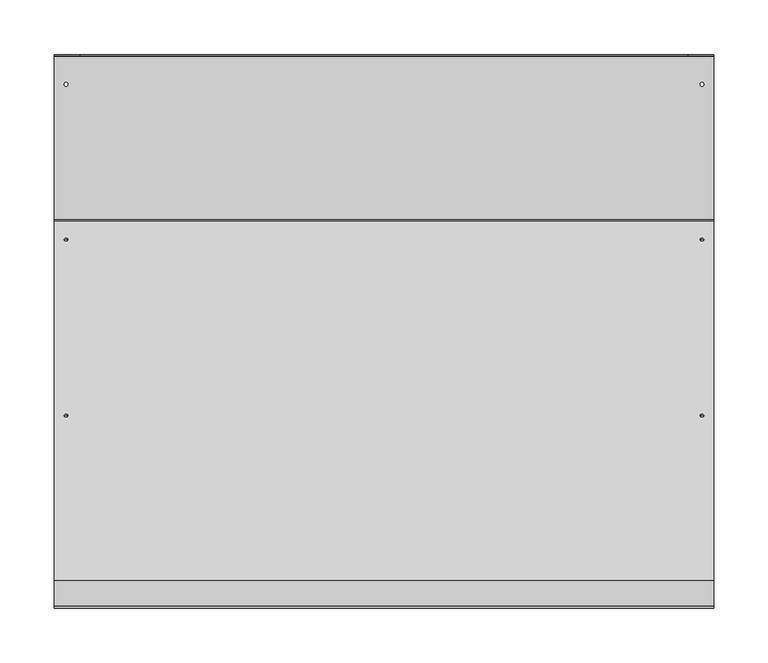
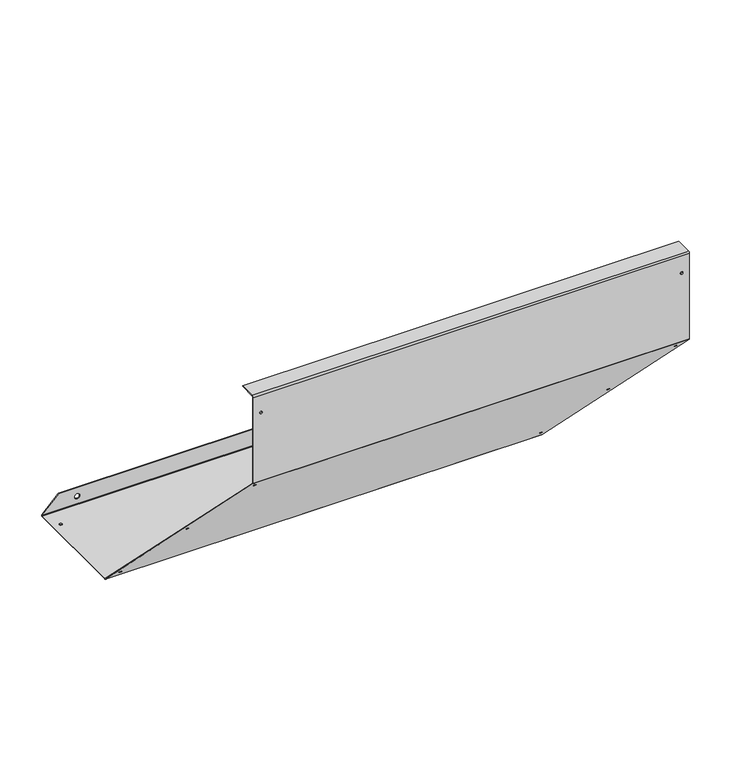
"""IFC4 building model written with IfcOpenShell, lengths in millimetres: proxy geometry."""

from ifc_helpers import new_model, si_unit, frame, origin, place, context, project, spatial, polyline, circle_curve, source, transform, mapped, element, save
from ifc_brep_helpers import plane_surface, cylinder_surface, revolved_surface, advanced_brep


def generic_models_967c062b(model_context):
    return source(origin(), model_context, "Body", "AdvancedBrep", [
        advanced_brep(
        [(593.17382, -27.41168, 1.00584), (593.17382, -27.41168, 0.0), (596.60282, -27.41168, 0.0), (596.60282, -27.41168, 1.00584), (8.97382, -27.41168, 1.00584), (8.97382, -27.41168, 0.0), (12.40282, -27.41168, 0.0), (12.40282, -27.41168, 1.00584), (593.17382, -170.0653835, 18.6712961), (593.17382, -170.7766198, 17.9600598), (596.60282, -170.7766198, 17.9600598), (596.60282, -170.0653835, 18.6712961), (593.17382, -493.3546039, 341.9605165), (593.17382, -494.0658402, 341.2492802), (596.60282, -494.0658402, 341.2492802), (596.60282, -493.3546039, 341.9605165), (8.97382, -331.7099937, 180.3159063), (8.97382, -332.42123, 179.60467), (12.40282, -332.42123, 179.60467), (12.40282, -331.7099937, 180.3159063), (8.97382, -170.0653835, 18.6712961), (8.97382, -170.7766198, 17.9600598), (12.40282, -170.7766198, 17.9600598), (12.40282, -170.0653835, 18.6712961), (8.97382, -493.3546039, 341.9605165), (8.97382, -494.0658402, 341.2492802), (12.40282, -494.0658402, 341.2492802), (12.40282, -493.3546039, 341.9605165), (593.17382, -331.7099937, 180.3159063), (593.17382, -332.42123, 179.60467), (596.60282, -332.42123, 179.60467), (596.60282, -331.7099937, 180.3159063), (596.60282, -508.0009047, 457.1745999), (596.60282, -509.0067447, 457.1745999), (593.17382, -509.0067447, 457.1745999), (593.17382, -508.0009047, 457.1745999), (12.40282, -508.0009047, 457.1745999), (12.40282, -509.0067447, 457.1745999), (8.97382, -509.0067447, 457.1745999), (8.97382, -508.0009047, 457.1745999), (560.40782, -1.00584, 12.7), (560.40782, 0.0, 12.7), (553.16882, 0.0, 12.7), (553.16882, -1.00584, 12.7), (306.40782, -1.00584, 12.7), (306.40782, 0.0, 12.7), (299.16882, 0.0, 12.7), (299.16882, -1.00584, 12.7), (52.40782, -1.00584, 12.7), (52.40782, 0.0, 12.7), (45.16882, 0.0, 12.7), (45.16882, -1.00584, 12.7), (605.57664, 0.0, 2.01168), (582.18832, 0.0, 25.4), (582.18832, -1.00584, 25.4), (605.57664, -1.00584, 2.01168), (23.38832, 0.0, 25.4), (0.0, 0.0, 2.01168), (0.0, -1.00584, 2.01168), (23.38832, -1.00584, 25.4), (605.57664, -2.01168, 1.00584), (605.57664, -151.9832949, 1.00584), (605.57664, -152.6945311, 1.3004437), (605.57664, -507.706301, 356.3122136), (605.57664, -508.0009047, 357.0234498), (605.57664, -508.0009047, 482.6009047), (605.57664, -506.9950647, 483.6067447), (605.57664, -483.6067447, 483.6067447), (605.57664, -483.6067447, 484.6125847), (605.57664, -506.9950647, 484.6125847), (605.57664, -509.0067447, 482.6009047), (605.57664, -509.0067447, 357.0234498), (605.57664, -508.4175373, 355.6009773), (605.57664, -153.4057674, 0.5892074), (605.57664, -151.9832949, 0.0), (605.57664, -2.01168, 0.0), (0.0, -506.9950647, 484.6125847), (0.0, -509.0067447, 482.6009047), (0.0, -506.9950647, 483.6067447), (0.0, -508.0009047, 482.6009047), (0.0, -509.0067447, 357.0234498), (0.0, -508.4175373, 355.6009773), (0.0, -508.0009047, 357.0234498), (0.0, -507.706301, 356.3122136), (0.0, -153.4057674, 0.5892074), (0.0, -151.9832949, 0.0), (0.0, -152.6945311, 1.3004437), (0.0, -151.9832949, 1.00584), (0.0, -2.01168, 1.00584), (0.0, -2.01168, 0.0), (0.0, -483.6067447, 484.6125847), (0.0, -483.6067447, 483.6067447)],
        [
            (0, 1),
            (1, 2, circle_curve(frame((594.88832, -27.41168, 0.0), z_axis=(0.0, 0.0, -1.0), x_axis=(-1.0, 0.0, 0.0)), 1.7145)),
            (2, 3),
            (3, 0, circle_curve(frame((594.88832, -27.41168, 1.00584), z_axis=(0.0, 0.0, 1.0), x_axis=(-1.0, 0.0, 0.0)), 1.7145)),
            (4, 5),
            (5, 6, circle_curve(frame((10.68832, -27.41168, 0.0), z_axis=(0.0, 0.0, -1.0), x_axis=(-1.0, 0.0, 0.0)), 1.7145)),
            (6, 7),
            (7, 4, circle_curve(frame((10.68832, -27.41168, 1.00584), z_axis=(0.0, 0.0, 1.0), x_axis=(-1.0, 0.0, 0.0)), 1.7145)),
            (8, 9),
            (9, 10, circle_curve(frame((594.88832, -170.7766198, 17.9600598), z_axis=(0.0, -0.7071067811865477, -0.7071067811865474), x_axis=(-1.0, 0.0, 0.0)), 1.7145)),
            (10, 11),
            (11, 8, circle_curve(frame((594.88832, -170.0653835, 18.6712961), z_axis=(0.0, 0.7071067811865477, 0.7071067811865474), x_axis=(-1.0, 0.0, 0.0)), 1.7145)),
            (12, 13),
            (13, 14, circle_curve(frame((594.88832, -494.0658402, 341.2492802), z_axis=(0.0, -0.7071067811865477, -0.7071067811865474), x_axis=(-1.0, 0.0, 0.0)), 1.7145)),
            (14, 15),
            (15, 12, circle_curve(frame((594.88832, -493.3546039, 341.9605165), z_axis=(0.0, 0.7071067811865477, 0.7071067811865474), x_axis=(-1.0, 0.0, 0.0)), 1.7145)),
            (16, 17),
            (17, 18, circle_curve(frame((10.68832, -332.42123, 179.60467), z_axis=(0.0, -0.7071067811865477, -0.7071067811865474), x_axis=(-1.0, 0.0, 0.0)), 1.7145)),
            (18, 19),
            (19, 16, circle_curve(frame((10.68832, -331.7099937, 180.3159063), z_axis=(0.0, 0.7071067811865477, 0.7071067811865474), x_axis=(-1.0, 0.0, 0.0)), 1.7145)),
            (20, 21),
            (21, 22, circle_curve(frame((10.68832, -170.7766198, 17.9600598), z_axis=(0.0, -0.7071067811865477, -0.7071067811865474), x_axis=(-1.0, 0.0, 0.0)), 1.7145)),
            (22, 23),
            (23, 20, circle_curve(frame((10.68832, -170.0653835, 18.6712961), z_axis=(0.0, 0.7071067811865477, 0.7071067811865474), x_axis=(-1.0, 0.0, 0.0)), 1.7145)),
            (24, 25),
            (25, 26, circle_curve(frame((10.68832, -494.0658402, 341.2492802), z_axis=(0.0, -0.7071067811865477, -0.7071067811865474), x_axis=(-1.0, 0.0, 0.0)), 1.7145)),
            (26, 27),
            (27, 24, circle_curve(frame((10.68832, -493.3546039, 341.9605165), z_axis=(0.0, 0.7071067811865477, 0.7071067811865474), x_axis=(-1.0, 0.0, 0.0)), 1.7145)),
            (28, 29),
            (29, 30, circle_curve(frame((594.88832, -332.42123, 179.60467), z_axis=(0.0, -0.7071067811865477, -0.7071067811865474), x_axis=(-1.0, 0.0, 0.0)), 1.7145)),
            (30, 31),
            (31, 28, circle_curve(frame((594.88832, -331.7099937, 180.3159063), z_axis=(0.0, 0.7071067811865477, 0.7071067811865474), x_axis=(-1.0, 0.0, 0.0)), 1.7145)),
            (32, 33),
            (33, 34, circle_curve(frame((594.88832, -509.0067447, 457.1745999), z_axis=(0.0, -1.0, 0.0), x_axis=(1.0, 0.0, 0.0)), 1.7145)),
            (34, 35),
            (35, 32, circle_curve(frame((594.88832, -508.0009047, 457.1745999), z_axis=(0.0, 1.0, 0.0), x_axis=(1.0, 0.0, 0.0)), 1.7145)),
            (36, 37),
            (37, 38, circle_curve(frame((10.68832, -509.0067447, 457.1745999), z_axis=(0.0, -1.0, 0.0), x_axis=(1.0, 0.0, 0.0)), 1.7145)),
            (38, 39),
            (39, 36, circle_curve(frame((10.68832, -508.0009047, 457.1745999), z_axis=(0.0, 1.0, 0.0), x_axis=(1.0, 0.0, 0.0)), 1.7145)),
            (40, 41),
            (41, 42, circle_curve(frame((556.78832, 0.0, 12.7), z_axis=(0.0, 1.0, 0.0), x_axis=(1.0, 0.0, 0.0)), 3.6195)),
            (42, 43),
            (43, 40, circle_curve(frame((556.78832, -1.00584, 12.7), z_axis=(0.0, -1.0, 0.0), x_axis=(1.0, 0.0, 0.0)), 3.6195)),
            (44, 45),
            (45, 46, circle_curve(frame((302.78832, 0.0, 12.7), z_axis=(0.0, 1.0, 0.0), x_axis=(1.0, 0.0, 0.0)), 3.6195)),
            (46, 47),
            (47, 44, circle_curve(frame((302.78832, -1.00584, 12.7), z_axis=(0.0, -1.0, 0.0), x_axis=(1.0, 0.0, 0.0)), 3.6195)),
            (48, 49),
            (49, 50, circle_curve(frame((48.78832, 0.0, 12.7), z_axis=(0.0, 1.0, 0.0), x_axis=(1.0, 0.0, 0.0)), 3.6195)),
            (50, 51),
            (51, 48, circle_curve(frame((48.78832, -1.00584, 12.7), z_axis=(0.0, -1.0, 0.0), x_axis=(1.0, 0.0, 0.0)), 3.6195)),
            (48, 51, circle_curve(frame((48.78832, -1.00584, 12.7), z_axis=(0.0, -1.0, 0.0), x_axis=(1.0, 0.0, 0.0)), 3.6195)),
            (50, 49, circle_curve(frame((48.78832, 0.0, 12.7), z_axis=(0.0, 1.0, 0.0), x_axis=(1.0, 0.0, 0.0)), 3.6195)),
            (44, 47, circle_curve(frame((302.78832, -1.00584, 12.7), z_axis=(0.0, -1.0, 0.0), x_axis=(1.0, 0.0, 0.0)), 3.6195)),
            (46, 45, circle_curve(frame((302.78832, 0.0, 12.7), z_axis=(0.0, 1.0, 0.0), x_axis=(1.0, 0.0, 0.0)), 3.6195)),
            (40, 43, circle_curve(frame((556.78832, -1.00584, 12.7), z_axis=(0.0, -1.0, 0.0), x_axis=(1.0, 0.0, 0.0)), 3.6195)),
            (42, 41, circle_curve(frame((556.78832, 0.0, 12.7), z_axis=(0.0, 1.0, 0.0), x_axis=(1.0, 0.0, 0.0)), 3.6195)),
            (36, 39, circle_curve(frame((10.68832, -508.0009047, 457.1745999), z_axis=(0.0, 1.0, 0.0), x_axis=(1.0, 0.0, 0.0)), 1.7145)),
            (38, 37, circle_curve(frame((10.68832, -509.0067447, 457.1745999), z_axis=(0.0, -1.0, 0.0), x_axis=(1.0, 0.0, 0.0)), 1.7145)),
            (32, 35, circle_curve(frame((594.88832, -508.0009047, 457.1745999), z_axis=(0.0, 1.0, 0.0), x_axis=(1.0, 0.0, 0.0)), 1.7145)),
            (34, 33, circle_curve(frame((594.88832, -509.0067447, 457.1745999), z_axis=(0.0, -1.0, 0.0), x_axis=(1.0, 0.0, 0.0)), 1.7145)),
            (28, 31, circle_curve(frame((594.88832, -331.7099937, 180.3159063), z_axis=(0.0, 0.7071067811865477, 0.7071067811865474), x_axis=(-1.0, 0.0, 0.0)), 1.7145)),
            (30, 29, circle_curve(frame((594.88832, -332.42123, 179.60467), z_axis=(0.0, -0.7071067811865477, -0.7071067811865474), x_axis=(-1.0, 0.0, 0.0)), 1.7145)),
            (24, 27, circle_curve(frame((10.68832, -493.3546039, 341.9605165), z_axis=(0.0, 0.7071067811865477, 0.7071067811865474), x_axis=(-1.0, 0.0, 0.0)), 1.7145)),
            (26, 25, circle_curve(frame((10.68832, -494.0658402, 341.2492802), z_axis=(0.0, -0.7071067811865477, -0.7071067811865474), x_axis=(-1.0, 0.0, 0.0)), 1.7145)),
            (20, 23, circle_curve(frame((10.68832, -170.0653835, 18.6712961), z_axis=(0.0, 0.7071067811865477, 0.7071067811865474), x_axis=(-1.0, 0.0, 0.0)), 1.7145)),
            (22, 21, circle_curve(frame((10.68832, -170.7766198, 17.9600598), z_axis=(0.0, -0.7071067811865477, -0.7071067811865474), x_axis=(-1.0, 0.0, 0.0)), 1.7145)),
            (16, 19, circle_curve(frame((10.68832, -331.7099937, 180.3159063), z_axis=(0.0, 0.7071067811865477, 0.7071067811865474), x_axis=(-1.0, 0.0, 0.0)), 1.7145)),
            (18, 17, circle_curve(frame((10.68832, -332.42123, 179.60467), z_axis=(0.0, -0.7071067811865477, -0.7071067811865474), x_axis=(-1.0, 0.0, 0.0)), 1.7145)),
            (12, 15, circle_curve(frame((594.88832, -493.3546039, 341.9605165), z_axis=(0.0, 0.7071067811865477, 0.7071067811865474), x_axis=(-1.0, 0.0, 0.0)), 1.7145)),
            (14, 13, circle_curve(frame((594.88832, -494.0658402, 341.2492802), z_axis=(0.0, -0.7071067811865477, -0.7071067811865474), x_axis=(-1.0, 0.0, 0.0)), 1.7145)),
            (8, 11, circle_curve(frame((594.88832, -170.0653835, 18.6712961), z_axis=(0.0, 0.7071067811865477, 0.7071067811865474), x_axis=(-1.0, 0.0, 0.0)), 1.7145)),
            (10, 9, circle_curve(frame((594.88832, -170.7766198, 17.9600598), z_axis=(0.0, -0.7071067811865477, -0.7071067811865474), x_axis=(-1.0, 0.0, 0.0)), 1.7145)),
            (4, 7, circle_curve(frame((10.68832, -27.41168, 1.00584), z_axis=(0.0, 0.0, 1.0), x_axis=(-1.0, 0.0, 0.0)), 1.7145)),
            (6, 5, circle_curve(frame((10.68832, -27.41168, 0.0), z_axis=(0.0, 0.0, -1.0), x_axis=(-1.0, 0.0, 0.0)), 1.7145)),
            (0, 3, circle_curve(frame((594.88832, -27.41168, 1.00584), z_axis=(0.0, 0.0, 1.0), x_axis=(-1.0, 0.0, 0.0)), 1.7145)),
            (2, 1, circle_curve(frame((594.88832, -27.41168, 0.0), z_axis=(0.0, 0.0, -1.0), x_axis=(-1.0, 0.0, 0.0)), 1.7145)),
            (52, 53),
            (53, 54),
            (54, 55),
            (55, 52),
            (56, 57),
            (57, 58),
            (58, 59),
            (59, 56),
            (55, 60, circle_curve(frame((605.57664, -2.01168, 2.01168), z_axis=(-1.0, 0.0, 0.0), x_axis=(0.0, 0.0, -1.0)), 1.00584)),
            (60, 61),
            (61, 62, circle_curve(frame((605.57664, -151.9832949, 2.01168), z_axis=(-1.0, 0.0, 0.0), x_axis=(0.0, 0.0, -1.0)), 1.00584)),
            (62, 63),
            (63, 64, circle_curve(frame((605.57664, -506.9950647, 357.0234498), z_axis=(-1.0, 0.0, 0.0), x_axis=(0.0, -0.7071067811865829, -0.7071067811865123)), 1.00584)),
            (64, 65),
            (65, 66, circle_curve(frame((605.57664, -506.9950647, 482.6009047), z_axis=(-1.0, 0.0, 0.0), x_axis=(0.0, -1.0, 0.0)), 1.00584)),
            (66, 67),
            (67, 68),
            (68, 69),
            (69, 70, circle_curve(frame((605.57664, -506.9950647, 482.6009047), z_axis=(1.0, 0.0, 0.0), x_axis=(0.0, -1.0, 0.0)), 2.01168)),
            (70, 71),
            (71, 72, circle_curve(frame((605.57664, -506.9950647, 357.0234498), z_axis=(1.0, 0.0, 0.0), x_axis=(0.0, -0.707106781186583, -0.7071067811865122)), 2.01168)),
            (72, 73),
            (73, 74, circle_curve(frame((605.57664, -151.9832949, 2.01168), z_axis=(1.0, 0.0, 0.0), x_axis=(0.0, 0.0, -1.0)), 2.01168)),
            (74, 75),
            (75, 52, circle_curve(frame((605.57664, -2.01168, 2.01168), z_axis=(1.0, 0.0, 0.0), x_axis=(0.0, 0.0, -1.0)), 2.01168)),
            (54, 59),
            (58, 55),
            (69, 76),
            (76, 77, circle_curve(frame((0.0, -506.9950647, 482.6009047), z_axis=(1.0, 0.0, 0.0), x_axis=(0.0, -1.0, 0.0)), 2.01168)),
            (77, 70),
            (78, 66),
            (65, 79),
            (79, 78, circle_curve(frame((0.0, -506.9950647, 482.6009047), z_axis=(-1.0, 0.0, 0.0), x_axis=(0.0, -1.0, 0.0)), 1.00584)),
            (77, 80),
            (80, 71),
            (80, 81, circle_curve(frame((0.0, -506.9950647, 357.0234498), z_axis=(1.0, 0.0, 0.0), x_axis=(0.0, -0.707106781186583, -0.7071067811865122)), 2.01168)),
            (81, 72),
            (82, 64),
            (63, 83),
            (83, 82, circle_curve(frame((0.0, -506.9950647, 357.0234498), z_axis=(-1.0, 0.0, 0.0), x_axis=(0.0, -0.7071067811865829, -0.7071067811865123)), 1.00584)),
            (81, 84),
            (84, 73),
            (84, 85, circle_curve(frame((0.0, -151.9832949, 2.01168), z_axis=(1.0, 0.0, 0.0), x_axis=(0.0, 0.0, -1.0)), 2.01168)),
            (85, 74),
            (86, 62),
            (61, 87),
            (87, 86, circle_curve(frame((0.0, -151.9832949, 2.01168), z_axis=(-1.0, 0.0, 0.0), x_axis=(0.0, 0.0, -1.0)), 1.00584)),
            (60, 88),
            (88, 87),
            (57, 52),
            (75, 89),
            (89, 57, circle_curve(frame((0.0, -2.01168, 2.01168), z_axis=(1.0, 0.0, 0.0), x_axis=(0.0, 0.0, -1.0)), 2.01168)),
            (58, 88, circle_curve(frame((0.0, -2.01168, 2.01168), z_axis=(-1.0, 0.0, 0.0), x_axis=(0.0, 0.0, -1.0)), 1.00584)),
            (85, 89),
            (56, 53),
            (86, 83),
            (82, 79),
            (76, 90),
            (90, 91),
            (91, 78),
            (68, 90),
            (67, 91),
        ],
        [
            revolved_surface(polyline([(593.17382, -27.41168, 0.0), (593.17382, -27.41168, 1.005840000000001)]), (594.88832, -27.41168, 9.525), (0.0, 0.0, -1.0)),
            revolved_surface(polyline([(8.97382, -27.41168, 0.0), (8.97382, -27.41168, 1.005840000000001)]), (10.68832, -27.41168, 9.525), (0.0, 0.0, -1.0)),
            revolved_surface(polyline([(593.17382, -170.7766198, 17.96005980000001), (593.17382, -170.0653835, 18.67129610000001)]), (594.88832, -164.0414277, 24.6952519), (0.0, -0.7071067811865477, -0.7071067811865474)),
            revolved_surface(polyline([(593.17382, -494.0658402, 341.2492802), (593.17382, -493.35460390000003, 341.96051650000004)]), (594.88832, -487.3306481, 347.9844723), (0.0, -0.7071067811865477, -0.7071067811865474)),
            revolved_surface(polyline([(8.97382, -332.42123, 179.60467), (8.97382, -331.7099937, 180.3159063)]), (10.68832, -325.6860379, 186.3398621), (0.0, -0.7071067811865477, -0.7071067811865474)),
            revolved_surface(polyline([(8.97382, -170.7766198, 17.96005980000001), (8.97382, -170.0653835, 18.67129610000001)]), (10.68832, -164.0414277, 24.6952519), (0.0, -0.7071067811865477, -0.7071067811865474)),
            revolved_surface(polyline([(8.97382, -494.0658402, 341.2492802), (8.97382, -493.35460390000003, 341.96051650000004)]), (10.68832, -487.3306481, 347.9844723), (0.0, -0.7071067811865477, -0.7071067811865474)),
            revolved_surface(polyline([(593.17382, -332.42123, 179.60467), (593.17382, -331.7099937, 180.3159063)]), (594.88832, -325.6860379, 186.3398621), (0.0, -0.7071067811865477, -0.7071067811865474)),
            revolved_surface(polyline([(596.6028200000001, -509.0067447, 457.1745999), (596.6028200000001, -508.0009047, 457.1745999)]), (594.88832, -499.4817447, 457.1745999), (0.0, -1.0, 0.0)),
            revolved_surface(polyline([(12.402819999999998, -509.0067447, 457.1745999), (12.402819999999998, -508.0009047, 457.1745999)]), (10.68832, -499.4817447, 457.1745999), (0.0, -1.0, 0.0)),
            revolved_surface(polyline([(560.40782, 0.0, 12.7), (560.40782, -1.005840000000001, 12.7)]), (556.78832, -9.525, 12.7), (0.0, 1.0, 0.0)),
            revolved_surface(polyline([(306.40782, 0.0, 12.7), (306.40782, -1.005840000000001, 12.7)]), (302.78832, -9.525, 12.7), (0.0, 1.0, 0.0)),
            revolved_surface(polyline([(52.40782, 0.0, 12.7), (52.40782, -1.005840000000001, 12.7)]), (48.78832, -9.525, 12.7), (0.0, 1.0, 0.0)),
            plane_surface(frame((582.18832, -1.00584, 25.4), z_axis=(0.707106781186547, 0.0, 0.7071067811865481), x_axis=(-0.7071067811865481, 0.0, 0.707106781186547))),
            plane_surface(frame((0.0, -1.00584, 2.01168), z_axis=(-0.7071067811865477, 0.0, 0.7071067811865475), x_axis=(-0.7071067811865475, 0.0, -0.7071067811865477))),
            plane_surface(frame((605.57664, -509.0067447, 484.6125847), z_axis=(1.0, 0.0, 0.0), x_axis=(0.0, 0.0, -1.0))),
            plane_surface(frame((302.78832, -1.00584, 12.7), z_axis=(0.0, -1.0, 0.0), x_axis=(0.0, 0.0, 1.0))),
            cylinder_surface(frame((302.78832, -506.9950647, 482.6009047), z_axis=(-1.0, 0.0, 0.0), x_axis=(0.0, -1.0, 0.0)), 2.01168),
            revolved_surface(polyline([(0.0, -508.0009047, 482.6009047), (605.57664, -508.0009047, 482.6009047)]), (302.78832, -506.9950647, 482.6009047), (-1.0, 0.0, 0.0)),
            plane_surface(frame((302.78832, -509.0067447, 420.4013847), z_axis=(0.0, -1.0, 0.0), x_axis=(0.0, 0.0, 1.0))),
            cylinder_surface(frame((302.78832, -506.9950647, 357.0234498), z_axis=(-1.0000000000000002, 0.0, 0.0), x_axis=(0.0, -0.707106781186583, -0.7071067811865122)), 2.01168),
            revolved_surface(polyline([(0.0, -507.7063009847887, 356.31221351521134), (605.57664, -507.7063009847887, 356.31221351521134)]), (302.78832, -506.9950647, 357.0234498), (-1.0, 0.0, 0.0)),
            plane_surface(frame((302.78832, -330.9116524, 178.0950924), z_axis=(0.0, -0.7071067811865477, -0.7071067811865474), x_axis=(1.0, 0.0, 0.0))),
            cylinder_surface(frame((302.78832, -151.9832949, 2.01168), z_axis=(-1.0, 0.0, 0.0), x_axis=(0.0, 0.0, -1.0)), 2.01168),
            revolved_surface(polyline([(0.0, -151.9832949, 1.00584), (605.57664, -151.9832949, 1.00584)]), (302.78832, -151.9832949, 2.01168), (-1.0, 0.0, 0.0)),
            plane_surface(frame((302.78832, -76.40828, 1.00584), z_axis=(0.0, 0.0, 1.0), x_axis=(1.0, 0.0, 0.0))),
            cylinder_surface(frame((302.78832, -2.01168, 2.01168), z_axis=(1.0, 0.0, 0.0), x_axis=(0.0, 0.0, -1.0)), 2.01168),
            revolved_surface(polyline([(605.57664, -2.01168, 1.00584), (0.0, -2.01168, 1.00584)]), (302.78832, -2.01168, 2.01168), (1.0, 0.0, 0.0)),
            plane_surface(frame((302.78832, -76.40828, 0.0), z_axis=(0.0, 0.0, -1.0), x_axis=(1.0, 0.0, 0.0))),
            plane_surface(frame((302.78832, 0.0, 12.7), z_axis=(0.0, 1.0, 0.0), x_axis=(0.0, 0.0, 1.0))),
            plane_surface(frame((0.0, 0.0, 25.4), z_axis=(0.0, 0.0, 1.0), x_axis=(1.0, 0.0, 0.0))),
            plane_surface(frame((302.78832, -330.2004161, 178.8063286), z_axis=(0.0, 0.7071067811865478, 0.7071067811865475), x_axis=(1.0, 0.0, 0.0))),
            plane_surface(frame((302.78832, -508.0009047, 420.4013847), z_axis=(0.0, 1.0, 0.0), x_axis=(0.0, 0.0, 1.0))),
            plane_surface(frame((0.0, -483.6067447, 484.6125847), z_axis=(-1.0, 0.0, 0.0), x_axis=(0.0, 0.0, 1.0))),
            plane_surface(frame((302.78832, -496.3067447, 484.6125847), z_axis=(0.0, 0.0, 1.0), x_axis=(1.0, 0.0, 0.0))),
            plane_surface(frame((605.57664, -483.6067447, 484.6125847), z_axis=(0.0, 1.0, 0.0), x_axis=(0.0, 0.0, 1.0))),
            plane_surface(frame((302.78832, -496.3067447, 483.6067447), z_axis=(0.0, 0.0, -1.0), x_axis=(1.0, 0.0, 0.0))),
        ],
        [
            (0, [[1, 2, 3, 4]]),
            (1, [[5, 6, 7, 8]]),
            (2, [[9, 10, 11, 12]]),
            (3, [[13, 14, 15, 16]]),
            (4, [[17, 18, 19, 20]]),
            (5, [[21, 22, 23, 24]]),
            (6, [[25, 26, 27, 28]]),
            (7, [[29, 30, 31, 32]]),
            (8, [[33, 34, 35, 36]]),
            (9, [[37, 38, 39, 40]]),
            (10, [[41, 42, 43, 44]]),
            (11, [[45, 46, 47, 48]]),
            (12, [[49, 50, 51, 52]]),
            (12, [[-49, 53, -51, 54]]),
            (11, [[-45, 55, -47, 56]]),
            (10, [[-41, 57, -43, 58]]),
            (9, [[-37, 59, -39, 60]]),
            (8, [[-33, 61, -35, 62]]),
            (7, [[-29, 63, -31, 64]]),
            (6, [[-25, 65, -27, 66]]),
            (5, [[-21, 67, -23, 68]]),
            (4, [[-17, 69, -19, 70]]),
            (3, [[-13, 71, -15, 72]]),
            (2, [[-9, 73, -11, 74]]),
            (1, [[-5, 75, -7, 76]]),
            (0, [[-1, 77, -3, 78]]),
            (13, [[79, 80, 81, 82]]),
            (14, [[83, 84, 85, 86]]),
            (15, [[-82, 87, 88, 89, 90, 91, 92, 93, 94, 95, 96, 97, 98, 99, 100, 101, 102, 103]]),
            (16, [[-81, 104, -85, 105], [-53, -52], [-55, -48], [-57, -44]]),
            (17, [[106, 107, 108, -97]]),
            (18, [[109, -93, 110, 111]]),
            (19, [[-108, 112, 113, -98], [-60, -38], [-62, -34]]),
            (20, [[-113, 114, 115, -99]]),
            (21, [[116, -91, 117, 118]]),
            (22, [[-115, 119, 120, -100], [-64, -30], [-66, -26], [-68, -22], [-70, -18], [-72, -14], [-74, -10]]),
            (23, [[-120, 121, 122, -101]]),
            (24, [[123, -89, 124, 125]]),
            (25, [[-124, -88, 126, 127], [-75, -8], [-77, -4]]),
            (26, [[128, -103, 129, 130]]),
            (27, [[-105, 131, -126, -87]]),
            (28, [[-122, 132, -129, -102], [-76, -6], [-78, -2]]),
            (29, [[-79, -128, -83, 133], [-54, -50], [-56, -46], [-58, -42]]),
            (30, [[-80, -133, -86, -104]]),
            (31, [[-117, -90, -123, 134], [-63, -32], [-65, -28], [-67, -24], [-69, -20], [-71, -16], [-73, -12]]),
            (32, [[-110, -92, -116, 135], [-59, -40], [-61, -36]]),
            (33, [[-84, -130, -132, -121, -119, -114, -112, -107, 136, 137, 138, -111, -135, -118, -134, -125, -127, -131]]),
            (34, [[-106, -96, 139, -136]]),
            (35, [[140, -137, -139, -95]]),
            (36, [[-109, -138, -140, -94]]),
        ],
    ),
    ])


if __name__ == "__main__":
    model = new_model("IFC4")
    model_context = context("Model", 3, world=origin())
    ifc_project = project(units=[si_unit("LENGTHUNIT", "METRE", prefix="MILLI")], contexts=[model_context])
    site = spatial("IfcSite", under=ifc_project)
    building = spatial("IfcBuilding", under=site)
    placement = place(None, origin())
    generic_models_shape = generic_models_967c062b(model_context)
    element("IfcBuildingElementProxy", 1, Name="Generic Models", at=placement, inside=building, context=model_context, shape_type="MappedRepresentation", body=[
        mapped(generic_models_shape, transform((0.0, 0.0, 0.0), x_axis=(1.0, 0.0, 0.0), y_axis=(0.0, 1.0, 0.0), z_axis=(0.0, 0.0, 1.0))),
    ])
    save(model, "model.ifc")
